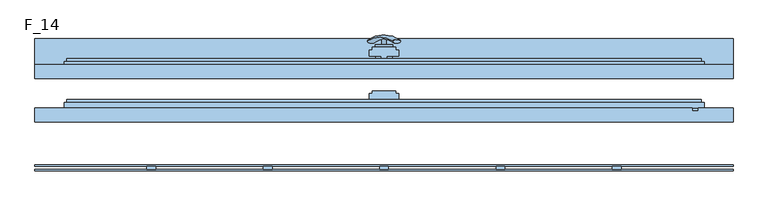
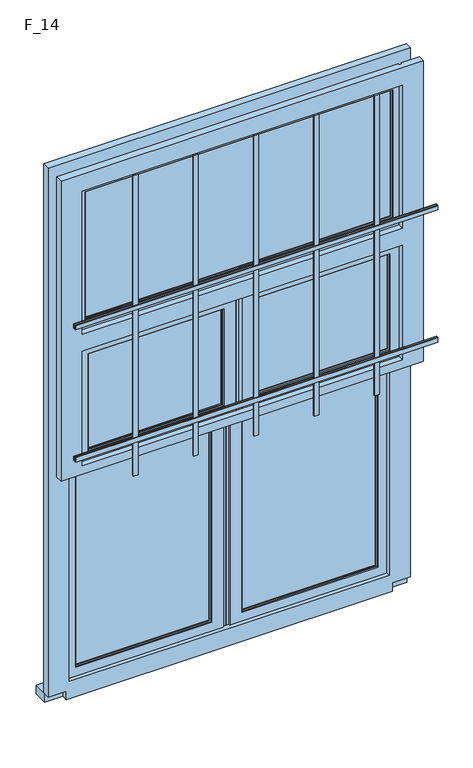
"""IFC4 building model written with IfcOpenShell, lengths in millimetres: window geometry, F_14."""

from ifc_helpers import new_model, si_unit, point, frame, frame_2d, origin, place, context, project, spatial, polyline, circle_curve, ellipse_curve, trimmed, segment, composite_curve, outline, extrude, faceted_brep, source, transform, mapped, element, save
from ifc_brep_helpers import plane_surface, revolved_surface, advanced_brep


def f_14_13ed7f9b(model_context):
    return source(origin(), model_context, "Body", "SolidModel", [
        extrude(outline(polyline([(600.0, -157.5), (-600.0, -157.5), (-600.0, -155.0), (600.0, -155.0), (600.0, -157.5)])), frame((0.0, 0.0, 2220.0), z_axis=(0.0, 0.0, 1.0), x_axis=(1.0, 0.0, 0.0)), (0.0, 0.0, 1.0), 15.0),
        extrude(outline(polyline([(600.0, -157.5), (-600.0, -157.5), (-600.0, -155.0), (600.0, -155.0), (600.0, -157.5)])), frame((0.0, 0.0, 1757.5), z_axis=(0.0, 0.0, 1.0), x_axis=(1.0, 0.0, 0.0)), (0.0, 0.0, 1.0), 15.0),
        extrude(outline(polyline([(600.0, -150.0), (-600.0, -150.0), (-600.0, -147.5), (600.0, -147.5), (600.0, -150.0)])), frame((0.0, 0.0, 2220.0), z_axis=(0.0, 0.0, 1.0), x_axis=(1.0, 0.0, 0.0)), (0.0, 0.0, 1.0), 15.0),
        extrude(outline(polyline([(600.0, -150.0), (-600.0, -150.0), (-600.0, -147.5), (600.0, -147.5), (600.0, -150.0)])), frame((0.0, 0.0, 1757.5), z_axis=(0.0, 0.0, 1.0), x_axis=(1.0, 0.0, 0.0)), (0.0, 0.0, 1.0), 15.0),
        extrude(outline(polyline([(-392.5, -150.0), (-392.5, -155.0), (-407.5, -155.0), (-407.5, -150.0), (-392.5, -150.0)])), frame((0.0, 0.0, 1640.0), z_axis=(0.0, 0.0, 1.0), x_axis=(1.0, 0.0, 0.0)), (0.0, 0.0, 1.0), 1050.0),
        extrude(outline(polyline([(-192.5, -150.0), (-192.5, -155.0), (-207.5, -155.0), (-207.5, -150.0), (-192.5, -150.0)])), frame((0.0, 0.0, 1640.0), z_axis=(0.0, 0.0, 1.0), x_axis=(1.0, 0.0, 0.0)), (0.0, 0.0, 1.0), 1050.0),
        extrude(outline(polyline([(7.5, -150.0), (7.5, -155.0), (-7.5, -155.0), (-7.5, -150.0), (7.5, -150.0)])), frame((0.0, 0.0, 1640.0), z_axis=(0.0, 0.0, 1.0), x_axis=(1.0, 0.0, 0.0)), (0.0, 0.0, 1.0), 1050.0),
        extrude(outline(polyline([(207.5, -150.0), (207.5, -155.0), (192.5, -155.0), (192.5, -150.0), (207.5, -150.0)])), frame((0.0, 0.0, 1640.0), z_axis=(0.0, 0.0, 1.0), x_axis=(1.0, 0.0, 0.0)), (0.0, 0.0, 1.0), 1050.0),
        extrude(outline(polyline([(407.5, -150.0), (407.5, -155.0), (392.5, -155.0), (392.5, -150.0), (407.5, -150.0)])), frame((0.0, 0.0, 1640.0), z_axis=(0.0, 0.0, 1.0), x_axis=(1.0, 0.0, 0.0)), (0.0, 0.0, 1.0), 1050.0),
        advanced_brep(
        [(-28.5497704, 65.2287724, 1428.0503471), (-14.693364, 65.2287724, 1420.0503471), (14.693364, 65.2287724, 1502.9496529), (28.5497704, 65.2287724, 1494.9496529)],
        [
            (0, 1, ellipse_curve(frame((-21.6215672, 65.2287724, 1424.0503471), z_axis=(-0.46984631039295827, -0.3420201433256777, -0.8137976813493676), x_axis=(0.8660254037844349, 0.0, -0.5000000000000066)), 8.0, 3.5)),
            (1, 0, ellipse_curve(frame((-21.6215672, 65.2287724, 1424.0503471), z_axis=(-0.46984631039295827, -0.3420201433256777, -0.8137976813493676), x_axis=(0.8660254037844349, 0.0, -0.5000000000000066)), 8.0, 3.5)),
            (2, 3, ellipse_curve(frame((21.6215672, 65.2287724, 1498.9496529), z_axis=(0.46984631039296154, -0.3420201433256599, 0.8137976813493732), x_axis=(0.8660254037844355, 0.0, -0.5000000000000056)), 8.0, 3.5)),
            (3, 2, ellipse_curve(frame((21.6215672, 65.2287724, 1498.9496529), z_axis=(0.46984631039296154, -0.3420201433256599, 0.8137976813493732), x_axis=(0.8660254037844355, 0.0, -0.5000000000000056)), 8.0, 3.5)),
            (2, 0, circle_curve(frame((-6.9282032, -53.580763, 1465.5), z_axis=(-0.8660254037844353, 0.0, 0.500000000000006), x_axis=(-0.1710100716628409, 0.9396926207859051, -0.29619813272603046)), 126.4344667)),
            (1, 3, circle_curve(frame((6.9282032, -53.580763, 1457.5), z_axis=(0.8660254037844353, 0.0, -0.500000000000006), x_axis=(-0.1710100716628409, 0.9396926207859051, -0.29619813272603046)), 126.4344667)),
        ],
        [
            plane_surface(frame((40.0926994, 62.5471681, 1389.5466142), z_axis=(-0.4698463103929582, -0.34202014332567776, -0.8137976813493677), x_axis=(-0.8660254037844352, 0.0, 0.500000000000006))),
            plane_surface(frame((82.3598097, 62.5471681, 1462.7553967), z_axis=(0.4698463103929615, -0.34202014332565983, 0.8137976813493734), x_axis=(-0.8660254037844352, 0.0, 0.500000000000006))),
            revolved_surface(trimmed(ellipse_curve(frame((-21.6215672, 65.2287724, 1424.0503471), z_axis=(0.46984631039295827, 0.3420201433256777, 0.8137976813493676), x_axis=(0.8660254037844349, 0.0, -0.5000000000000066)), 8.0, 3.5), [point((-28.5497704, 65.2287724, 1428.0503471))], [point((-14.693364, 65.2287724, 1420.0503471))], True, "CARTESIAN"), (61.2262546, -53.580763, 1426.1510055), (-0.8660254037844353, 0.0, 0.500000000000006)),
            revolved_surface(trimmed(ellipse_curve(frame((-21.6215672, 65.2287724, 1424.0503471), z_axis=(0.46984631039295827, 0.3420201433256777, 0.8137976813493676), x_axis=(0.8660254037844349, 0.0, -0.5000000000000066)), 8.0, 3.5), [point((-14.693364, 65.2287724, 1420.0503471))], [point((-28.5497704, 65.2287724, 1428.0503471))], True, "CARTESIAN"), (61.2262546, -53.580763, 1426.1510055), (-0.8660254037844353, 0.0, 0.500000000000006)),
        ],
        [
            (0, [[1, 2]]),
            (1, [[3, 4]]),
            (2, [[-3, 5, -2, 6]]),
            (3, [[-4, -6, -1, -5]]),
        ],
    ),
        extrude(outline(composite_curve([segment(trimmed(circle_curve(frame_2d((1461.5, 0.0)), 3.5), [point((1461.5, -3.5))], [point((1461.5, 3.5))], False, "CARTESIAN"), True, "CONTINUOUS"), segment(trimmed(circle_curve(frame_2d((1461.5, 0.0)), 3.5), [point((1461.5, 3.5))], [point((1461.5, -3.5))], False, "CARTESIAN"), True, "CONTINUOUS")], self_intersect=False)), frame((0.0, 60.0, 0.0), z_axis=(0.0, 1.0, 0.0), x_axis=(0.0, 0.0, 1.0)), (0.0, 0.0, 1.0), 10.0),
        extrude(outline(composite_curve([segment(polyline([(1525.8020109, -15.0), (1395.8020109, -15.0)]), True, "CONTINUOUS"), segment(trimmed(circle_curve(frame_2d((1395.8020109, 0.0)), 15.0), [point((1395.8020109, -15.0))], [point((1395.8020109, 15.0))], False, "CARTESIAN"), True, "CONTINUOUS"), segment(polyline([(1395.8020109, 15.0), (1525.8020109, 15.0)]), True, "CONTINUOUS"), segment(trimmed(circle_curve(frame_2d((1525.8020109, 0.0)), 15.0), [point((1525.8020109, 15.0))], [point((1525.8020109, -15.0))], False, "CARTESIAN"), True, "CONTINUOUS")], self_intersect=False)), frame((0.0, 55.0, 0.0), z_axis=(0.0, 1.0, 0.0), x_axis=(0.0, 0.0, 1.0)), (0.0, 0.0, 1.0), 5.0),
        extrude(outline(polyline([(600.0, 70.0), (600.0, 20.0), (-600.0, 20.0), (-600.0, 70.0), (600.0, 70.0)])), frame((0.0, 0.0, 810.0), z_axis=(0.0, 0.0, 1.0), x_axis=(1.0, 0.0, 0.0)), (0.0, 0.0, 1.0), 30.0),
        extrude(outline(polyline([(505.0, -43.0), (505.0, -47.0), (-505.0, -47.0), (-505.0, -43.0), (505.0, -43.0)])), frame((0.0, 0.0, 2165.0), z_axis=(0.0, 0.0, 1.0), x_axis=(1.0, 0.0, 0.0)), (0.0, 0.0, 1.0), 440.0),
        faceted_brep([(-510.0, -50.0, 2610.0), (510.0, -50.0, 2610.0), (510.0, -55.0, 2610.0), (-510.0, -55.0, 2610.0), (510.0, -50.0, 2160.0), (510.0, -55.0, 2160.0), (540.0, -55.0, 2130.0), (540.0, -55.0, 2640.0), (-540.0, -55.0, 2640.0), (-540.0, -55.0, 2130.0), (-510.0, -55.0, 2160.0), (-510.0, -50.0, 2160.0), (505.0, -50.0, 2605.0), (505.0, -50.0, 2165.0), (-505.0, -50.0, 2165.0), (-505.0, -50.0, 2605.0), (-505.0, -40.0, 2605.0), (505.0, -40.0, 2605.0), (505.0, -40.0, 2165.0), (510.0, -40.0, 2610.0), (510.0, -40.0, 2160.0), (-510.0, -40.0, 2160.0), (-510.0, -40.0, 2610.0), (-505.0, -40.0, 2165.0), (-510.0, -35.0, 2610.0), (510.0, -35.0, 2610.0), (510.0, -35.0, 2160.0), (545.0, -35.0, 2645.0), (545.0, -35.0, 2125.0), (-545.0, -35.0, 2125.0), (-545.0, -35.0, 2645.0), (-510.0, -35.0, 2160.0), (-550.0, -50.0, 2650.0), (550.0, -50.0, 2650.0), (550.0, -40.0, 2650.0), (-550.0, -40.0, 2650.0), (550.0, -50.0, 2120.0), (550.0, -40.0, 2120.0), (-550.0, -40.0, 2120.0), (545.0, -40.0, 2125.0), (545.0, -40.0, 2645.0), (-545.0, -40.0, 2645.0), (-545.0, -40.0, 2125.0), (-550.0, -50.0, 2120.0), (540.0, -50.0, 2640.0), (540.0, -50.0, 2130.0), (-540.0, -50.0, 2130.0), (-540.0, -50.0, 2640.0)], [[[0, 1, 2, 3]], [[1, 4, 5, 2]], [[6, 7, 8, 9], [2, 5, 10, 3]], [[4, 1, 0, 11], [12, 13, 14, 15]], [[16, 17, 12, 15]], [[17, 18, 13, 12]], [[19, 20, 21, 22], [18, 17, 16, 23]], [[24, 25, 19, 22]], [[25, 26, 20, 19]], [[27, 28, 29, 30], [26, 25, 24, 31]], [[32, 33, 34, 35]], [[33, 36, 37, 34]], [[34, 37, 38, 35], [39, 40, 41, 42]], [[36, 33, 32, 43], [44, 45, 46, 47]], [[8, 7, 44, 47]], [[7, 6, 45, 44]], [[11, 0, 3, 10]], [[23, 16, 15, 14]], [[31, 24, 22, 21]], [[43, 32, 35, 38]], [[9, 8, 47, 46]], [[41, 40, 27, 30]], [[42, 41, 30, 29]], [[40, 39, 28, 27]], [[4, 11, 10, 5]], [[18, 23, 14, 13]], [[26, 31, 21, 20]], [[36, 43, 38, 37]], [[6, 9, 46, 45]], [[39, 42, 29, 28]]]),
        extrude(outline(polyline([(505.0, 27.0), (505.0, 23.0), (-505.0, 23.0), (-505.0, 27.0), (505.0, 27.0)])), frame((0.0, 0.0, 2165.0), z_axis=(0.0, 0.0, 1.0), x_axis=(1.0, 0.0, 0.0)), (0.0, 0.0, 1.0), 440.0),
        faceted_brep([(-510.0, 20.0, 2610.0), (510.0, 20.0, 2610.0), (510.0, 15.0, 2610.0), (-510.0, 15.0, 2610.0), (510.0, 20.0, 2160.0), (510.0, 15.0, 2160.0), (540.0, 15.0, 2130.0), (540.0, 15.0, 2640.0), (-540.0, 15.0, 2640.0), (-540.0, 15.0, 2130.0), (-510.0, 15.0, 2160.0), (-510.0, 20.0, 2160.0), (505.0, 20.0, 2605.0), (505.0, 20.0, 2165.0), (-505.0, 20.0, 2165.0), (-505.0, 20.0, 2605.0), (-505.0, 30.0, 2605.0), (505.0, 30.0, 2605.0), (505.0, 30.0, 2165.0), (510.0, 30.0, 2610.0), (510.0, 30.0, 2160.0), (-510.0, 30.0, 2160.0), (-510.0, 30.0, 2610.0), (-505.0, 30.0, 2165.0), (-510.0, 35.0, 2610.0), (510.0, 35.0, 2610.0), (510.0, 35.0, 2160.0), (545.0, 35.0, 2645.0), (545.0, 35.0, 2125.0), (-545.0, 35.0, 2125.0), (-545.0, 35.0, 2645.0), (-510.0, 35.0, 2160.0), (-550.0, 20.0, 2650.0), (550.0, 20.0, 2650.0), (550.0, 30.0, 2650.0), (-550.0, 30.0, 2650.0), (550.0, 20.0, 2120.0), (550.0, 30.0, 2120.0), (-550.0, 30.0, 2120.0), (545.0, 30.0, 2125.0), (545.0, 30.0, 2645.0), (-545.0, 30.0, 2645.0), (-545.0, 30.0, 2125.0), (-550.0, 20.0, 2120.0), (540.0, 20.0, 2640.0), (540.0, 20.0, 2130.0), (-540.0, 20.0, 2130.0), (-540.0, 20.0, 2640.0)], [[[0, 1, 2, 3]], [[1, 4, 5, 2]], [[6, 7, 8, 9], [2, 5, 10, 3]], [[4, 1, 0, 11], [12, 13, 14, 15]], [[16, 17, 12, 15]], [[17, 18, 13, 12]], [[19, 20, 21, 22], [18, 17, 16, 23]], [[24, 25, 19, 22]], [[25, 26, 20, 19]], [[27, 28, 29, 30], [26, 25, 24, 31]], [[32, 33, 34, 35]], [[33, 36, 37, 34]], [[34, 37, 38, 35], [39, 40, 41, 42]], [[36, 33, 32, 43], [44, 45, 46, 47]], [[8, 7, 44, 47]], [[7, 6, 45, 44]], [[11, 0, 3, 10]], [[23, 16, 15, 14]], [[31, 24, 22, 21]], [[43, 32, 35, 38]], [[9, 8, 47, 46]], [[41, 40, 27, 30]], [[42, 41, 30, 29]], [[40, 39, 28, 27]], [[4, 11, 10, 5]], [[18, 23, 14, 13]], [[26, 31, 21, 20]], [[36, 43, 38, 37]], [[6, 9, 46, 45]], [[39, 42, 29, 28]]]),
        extrude(outline(polyline([(0.5, -55.0), (0.5, -50.0), (10.0, -50.0), (10.0, -55.0), (0.5, -55.0)])), frame((0.0, 0.0, 1650.0), z_axis=(0.0, 0.0, 1.0), x_axis=(1.0, 0.0, 0.0)), (0.0, 0.0, 1.0), 440.0),
        extrude(outline(polyline([(-0.5, -55.0), (-10.0, -55.0), (-10.0, -50.0), (-0.5, -50.0), (-0.5, -55.0)])), frame((0.0, 0.0, 1650.0), z_axis=(0.0, 0.0, 1.0), x_axis=(1.0, 0.0, 0.0)), (0.0, 0.0, 1.0), 440.0),
        extrude(outline(polyline([(-55.0, -43.0), (-55.0, -47.0), (-495.0, -47.0), (-495.0, -43.0), (-55.0, -43.0)])), frame((0.0, 0.0, 1705.0), z_axis=(0.0, 0.0, 1.0), x_axis=(1.0, 0.0, 0.0)), (0.0, 0.0, 1.0), 330.0),
        extrude(outline(polyline([(495.0, -43.0), (495.0, -47.0), (55.0, -47.0), (55.0, -43.0), (495.0, -43.0)])), frame((0.0, 0.0, 1705.0), z_axis=(0.0, 0.0, 1.0), x_axis=(1.0, 0.0, 0.0)), (0.0, 0.0, 1.0), 330.0),
        extrude(outline(polyline([(5.0, -40.0), (-5.0, -40.0), (-5.0, -35.0), (-25.0, -35.0), (-25.0, -25.0), (-20.0, -25.0), (-20.0, -20.0), (20.0, -20.0), (20.0, -25.0), (25.0, -25.0), (25.0, -35.0), (5.0, -35.0), (5.0, -40.0)])), frame((0.0, 0.0, 1650.0), z_axis=(0.0, 0.0, 1.0), x_axis=(1.0, 0.0, 0.0)), (0.0, 0.0, 1.0), 440.0),
        faceted_brep([(50.0, -55.0, 2040.0), (50.0, -55.0, 1700.0), (50.0, -50.0, 1700.0), (50.0, -50.0, 2040.0), (500.0, -50.0, 1700.0), (500.0, -50.0, 2040.0), (55.0, -50.0, 1705.0), (55.0, -50.0, 2035.0), (495.0, -50.0, 2035.0), (495.0, -50.0, 1705.0), (500.0, -55.0, 1700.0), (10.0, -55.0, 2080.0), (10.0, -55.0, 1660.0), (540.0, -55.0, 1660.0), (540.0, -55.0, 2080.0), (500.0, -55.0, 2040.0), (55.0, -40.0, 1705.0), (55.0, -40.0, 2035.0), (50.0, -40.0, 1700.0), (50.0, -40.0, 2040.0), (500.0, -40.0, 2040.0), (500.0, -40.0, 1700.0), (495.0, -40.0, 1705.0), (495.0, -40.0, 2035.0), (50.0, -35.0, 1700.0), (50.0, -35.0, 2040.0), (5.0, -35.0, 1655.0), (5.0, -35.0, 2085.0), (545.0, -35.0, 2085.0), (545.0, -35.0, 1655.0), (500.0, -35.0, 1700.0), (500.0, -35.0, 2040.0), (5.0, -40.0, 1655.0), (5.0, -40.0, 2085.0), (0.0, -40.0, 1650.0), (0.0, -40.0, 2090.0), (550.0, -40.0, 2090.0), (550.0, -40.0, 1650.0), (545.0, -40.0, 1655.0), (545.0, -40.0, 2085.0), (0.0, -50.0, 1650.0), (0.0, -50.0, 2090.0), (550.0, -50.0, 1650.0), (550.0, -50.0, 2090.0), (10.0, -50.0, 1660.0), (10.0, -50.0, 2080.0), (540.0, -50.0, 2080.0), (540.0, -50.0, 1660.0)], [[[0, 1, 2, 3]], [[3, 2, 4, 5], [6, 7, 8, 9]], [[1, 10, 4, 2]], [[11, 12, 13, 14], [1, 0, 15, 10]], [[7, 6, 16, 17]], [[18, 19, 20, 21], [17, 16, 22, 23]], [[6, 9, 22, 16]], [[19, 18, 24, 25]], [[26, 27, 28, 29], [25, 24, 30, 31]], [[18, 21, 30, 24]], [[27, 26, 32, 33]], [[34, 35, 36, 37], [33, 32, 38, 39]], [[26, 29, 38, 32]], [[35, 34, 40, 41]], [[41, 40, 42, 43], [44, 45, 46, 47]], [[34, 37, 42, 40]], [[45, 44, 12, 11]], [[44, 47, 13, 12]], [[10, 15, 5, 4]], [[9, 8, 23, 22]], [[21, 20, 31, 30]], [[29, 28, 39, 38]], [[37, 36, 43, 42]], [[47, 46, 14, 13]], [[15, 0, 3, 5]], [[8, 7, 17, 23]], [[20, 19, 25, 31]], [[28, 27, 33, 39]], [[36, 35, 41, 43]], [[46, 45, 11, 14]]]),
        faceted_brep([(-50.0, -50.0, 2040.0), (-50.0, -50.0, 1700.0), (-50.0, -55.0, 1700.0), (-50.0, -55.0, 2040.0), (-10.0, -55.0, 1660.0), (-10.0, -55.0, 2080.0), (-540.0, -55.0, 2080.0), (-540.0, -55.0, 1660.0), (-500.0, -55.0, 1700.0), (-500.0, -55.0, 2040.0), (-500.0, -50.0, 1700.0), (-500.0, -50.0, 2040.0), (-55.0, -50.0, 2035.0), (-55.0, -50.0, 1705.0), (-495.0, -50.0, 1705.0), (-495.0, -50.0, 2035.0), (-55.0, -40.0, 2035.0), (-55.0, -40.0, 1705.0), (-495.0, -40.0, 1705.0), (-50.0, -40.0, 2040.0), (-50.0, -40.0, 1700.0), (-500.0, -40.0, 1700.0), (-500.0, -40.0, 2040.0), (-495.0, -40.0, 2035.0), (-50.0, -35.0, 2040.0), (-50.0, -35.0, 1700.0), (-500.0, -35.0, 1700.0), (-5.0, -35.0, 2085.0), (-5.0, -35.0, 1655.0), (-545.0, -35.0, 1655.0), (-545.0, -35.0, 2085.0), (-500.0, -35.0, 2040.0), (-5.0, -40.0, 2085.0), (-5.0, -40.0, 1655.0), (-545.0, -40.0, 1655.0), (0.0, -40.0, 2090.0), (0.0, -40.0, 1650.0), (-550.0, -40.0, 1650.0), (-550.0, -40.0, 2090.0), (-545.0, -40.0, 2085.0), (0.0, -50.0, 2090.0), (0.0, -50.0, 1650.0), (-550.0, -50.0, 1650.0), (-550.0, -50.0, 2090.0), (-10.0, -50.0, 2080.0), (-10.0, -50.0, 1660.0), (-540.0, -50.0, 1660.0), (-540.0, -50.0, 2080.0)], [[[0, 1, 2, 3]], [[4, 5, 6, 7], [3, 2, 8, 9]], [[1, 10, 8, 2]], [[1, 0, 11, 10], [12, 13, 14, 15]], [[16, 17, 13, 12]], [[17, 18, 14, 13]], [[19, 20, 21, 22], [17, 16, 23, 18]], [[24, 25, 20, 19]], [[25, 26, 21, 20]], [[27, 28, 29, 30], [25, 24, 31, 26]], [[32, 33, 28, 27]], [[33, 34, 29, 28]], [[35, 36, 37, 38], [33, 32, 39, 34]], [[40, 41, 36, 35]], [[41, 42, 37, 36]], [[41, 40, 43, 42], [44, 45, 46, 47]], [[5, 4, 45, 44]], [[4, 7, 46, 45]], [[10, 11, 9, 8]], [[18, 23, 15, 14]], [[26, 31, 22, 21]], [[34, 39, 30, 29]], [[42, 43, 38, 37]], [[7, 6, 47, 46]], [[11, 0, 3, 9]], [[23, 16, 12, 15]], [[31, 24, 19, 22]], [[39, 32, 27, 30]], [[43, 40, 35, 38]], [[6, 5, 44, 47]]]),
        faceted_brep([(-50.0, 20.0, 2040.0), (-50.0, 20.0, 900.0), (-50.0, 15.0, 900.0), (-50.0, 15.0, 2040.0), (-10.0, 15.0, 2080.0), (-540.0, 15.0, 2080.0), (-540.0, 15.0, 860.0), (-10.0, 15.0, 860.0), (-500.0, 15.0, 900.0), (-500.0, 15.0, 2040.0), (-500.0, 20.0, 900.0), (-500.0, 20.0, 2040.0), (-55.0, 20.0, 905.0), (-495.0, 20.0, 905.0), (-495.0, 20.0, 2035.0), (-55.0, 20.0, 2035.0), (-55.0, 30.0, 2035.0), (-55.0, 30.0, 905.0), (-495.0, 30.0, 905.0), (-50.0, 30.0, 900.0), (-500.0, 30.0, 900.0), (-500.0, 30.0, 2040.0), (-50.0, 30.0, 2040.0), (-495.0, 30.0, 2035.0), (-50.0, 35.0, 2040.0), (-50.0, 35.0, 900.0), (-500.0, 35.0, 900.0), (-545.0, 35.0, 2085.0), (-5.0, 35.0, 2085.0), (-5.0, 35.0, 2080.0), (-14.5, 35.0, 2080.0), (-14.5, 35.0, 855.0), (-545.0, 35.0, 855.0), (-500.0, 35.0, 2040.0), (-5.0, 30.0, 2085.0), (-5.0, 30.0, 855.0), (-5.0, 35.0, 855.0), (-5.0, 35.0, 850.0), (-5.0, 40.0, 850.0), (-5.0, 40.0, 2080.0), (0.0, 20.0, 850.0), (-550.0, 20.0, 850.0), (-550.0, 30.0, 850.0), (0.0, 30.0, 850.0), (-550.0, 30.0, 2090.0), (0.0, 30.0, 2090.0), (-545.0, 30.0, 2085.0), (-545.0, 30.0, 855.0), (0.0, 20.0, 2090.0), (-550.0, 20.0, 2090.0), (-10.0, 20.0, 860.0), (-540.0, 20.0, 860.0), (-540.0, 20.0, 2080.0), (-10.0, 20.0, 2080.0), (-14.5, 40.0, 2080.0), (-14.5, 40.0, 850.0), (-14.5, 35.0, 850.0)], [[[0, 1, 2, 3]], [[4, 5, 6, 7], [2, 8, 9, 3]], [[1, 10, 8, 2]], [[0, 11, 10, 1], [12, 13, 14, 15]], [[16, 17, 12, 15]], [[17, 18, 13, 12]], [[19, 20, 21, 22], [16, 23, 18, 17]], [[24, 25, 19, 22]], [[25, 26, 20, 19]], [[27, 28, 29, 30, 31, 32], [24, 33, 26, 25]], [[34, 35, 36, 37, 38, 39, 29, 28]], [[40, 41, 42, 43]], [[43, 42, 44, 45], [34, 46, 47, 35]], [[48, 40, 43, 45]], [[48, 49, 41, 40], [50, 51, 52, 53]], [[4, 7, 50, 53]], [[7, 6, 51, 50]], [[10, 11, 9, 8]], [[18, 23, 14, 13]], [[26, 33, 21, 20]], [[35, 47, 32, 31, 36]], [[47, 46, 27, 32]], [[54, 55, 56, 31, 30]], [[41, 49, 44, 42]], [[6, 5, 52, 51]], [[3, 9, 11, 0]], [[15, 14, 23, 16]], [[22, 21, 33, 24]], [[28, 27, 46, 34]], [[45, 44, 49, 48]], [[53, 52, 5, 4]], [[39, 38, 55, 54]], [[37, 56, 55, 38]], [[37, 36, 31, 56]], [[30, 29, 39, 54]]]),
        extrude(outline(polyline([(-55.0, 27.0), (-55.0, 23.0), (-495.0, 23.0), (-495.0, 27.0), (-55.0, 27.0)])), frame((0.0, 0.0, 905.0), z_axis=(0.0, 0.0, 1.0), x_axis=(1.0, 0.0, 0.0)), (0.0, 0.0, 1.0), 1130.0),
        extrude(outline(polyline([(495.0, 27.0), (495.0, 23.0), (55.0, 23.0), (55.0, 27.0), (495.0, 27.0)])), frame((0.0, 0.0, 905.0), z_axis=(0.0, 0.0, 1.0), x_axis=(1.0, 0.0, 0.0)), (0.0, 0.0, 1.0), 1130.0),
        faceted_brep([(25.0, 40.0, 850.0), (14.5, 40.0, 850.0), (14.5, 35.0, 850.0), (-5.0, 35.0, 850.0), (-5.0, 40.0, 850.0), (-25.0, 40.0, 850.0), (-25.0, 50.0, 850.0), (-20.0, 50.0, 850.0), (-20.0, 55.0, 850.0), (20.0, 55.0, 850.0), (20.0, 50.0, 850.0), (25.0, 50.0, 850.0), (25.0, 40.0, 2090.0), (25.0, 50.0, 2090.0), (20.0, 50.0, 2090.0), (20.0, 55.0, 2090.0), (-20.0, 55.0, 2090.0), (-20.0, 50.0, 2090.0), (-25.0, 50.0, 2090.0), (-25.0, 40.0, 2090.0), (-5.0, 40.0, 2090.0), (-5.0, 35.0, 2090.0), (14.5, 35.0, 855.0), (5.0, 35.0, 855.0), (5.0, 35.0, 2085.0), (5.0, 35.0, 2090.0), (0.0, 30.0, 2090.0), (0.0, 30.0, 850.0), (0.0, 20.0, 850.0), (0.0, 20.0, 2090.0), (550.0, 20.0, 850.0), (550.0, 20.0, 2090.0), (10.0, 20.0, 2080.0), (540.0, 20.0, 2080.0), (540.0, 20.0, 860.0), (10.0, 20.0, 860.0), (550.0, 30.0, 850.0), (550.0, 30.0, 2090.0), (5.0, 30.0, 855.0), (545.0, 30.0, 855.0), (545.0, 30.0, 2085.0), (5.0, 30.0, 2085.0), (14.5, 35.0, 2080.0), (14.5, 40.0, 2080.0), (5.0, 40.0, 2090.0), (5.0, 40.0, 2080.0), (545.0, 35.0, 855.0), (5.0, 35.0, 2080.0), (545.0, 35.0, 2085.0), (50.0, 35.0, 900.0), (500.0, 35.0, 900.0), (500.0, 35.0, 2040.0), (50.0, 35.0, 2040.0), (50.0, 15.0, 2040.0), (50.0, 15.0, 900.0), (50.0, 20.0, 900.0), (50.0, 20.0, 2040.0), (500.0, 20.0, 900.0), (500.0, 20.0, 2040.0), (55.0, 20.0, 2035.0), (495.0, 20.0, 2035.0), (495.0, 20.0, 905.0), (55.0, 20.0, 905.0), (500.0, 15.0, 900.0), (10.0, 15.0, 860.0), (540.0, 15.0, 860.0), (540.0, 15.0, 2080.0), (10.0, 15.0, 2080.0), (500.0, 15.0, 2040.0), (55.0, 30.0, 905.0), (55.0, 30.0, 2035.0), (50.0, 30.0, 2040.0), (500.0, 30.0, 2040.0), (500.0, 30.0, 900.0), (50.0, 30.0, 900.0), (495.0, 30.0, 905.0), (495.0, 30.0, 2035.0)], [[[0, 1, 2, 3, 4, 5, 6, 7, 8, 9, 10, 11]], [[12, 0, 11, 13]], [[13, 11, 10, 14]], [[14, 10, 9, 15]], [[15, 9, 8, 16]], [[16, 8, 7, 17]], [[17, 7, 6, 18]], [[18, 6, 5, 19]], [[19, 5, 4, 20]], [[20, 4, 3, 21]], [[21, 3, 2, 22, 23, 24, 25]], [[26, 27, 28, 29]], [[28, 30, 31, 29], [32, 33, 34, 35]], [[36, 37, 31, 30]], [[26, 37, 36, 27], [38, 39, 40, 41]], [[42, 22, 2, 1, 43]], [[44, 45, 43, 1, 0, 12]], [[46, 22, 42, 47, 24, 48], [49, 50, 51, 52]], [[23, 22, 46, 39, 38]], [[53, 54, 55, 56]], [[55, 57, 58, 56], [59, 60, 61, 62]], [[54, 63, 57, 55]], [[64, 65, 66, 67], [53, 68, 63, 54]], [[59, 62, 69, 70]], [[71, 72, 73, 74], [69, 75, 76, 70]], [[62, 61, 75, 69]], [[71, 74, 49, 52]], [[74, 73, 50, 49]], [[32, 35, 64, 67]], [[35, 34, 65, 64]], [[63, 68, 58, 57]], [[61, 60, 76, 75]], [[73, 72, 51, 50]], [[46, 48, 40, 39]], [[34, 33, 66, 65]], [[25, 44, 12, 13, 14, 15, 16, 17, 18, 19, 20, 21]], [[25, 24, 47, 45, 44]], [[56, 58, 68, 53]], [[70, 76, 60, 59]], [[52, 51, 72, 71]], [[41, 40, 48, 24]], [[67, 66, 33, 32]], [[23, 38, 41, 24]], [[27, 36, 30, 28]], [[29, 31, 37, 26]], [[43, 45, 47, 42]]]),
        faceted_brep([(-600.0, 25.0, 2690.0), (-600.0, 25.0, 840.0), (-600.0, 1.0, 840.0), (-600.0, 1.0, 2690.0), (-540.0, 1.0, 840.0), (-540.0, 1.0, 810.0), (540.0, 1.0, 810.0), (540.0, 1.0, 840.0), (600.0, 1.0, 840.0), (600.0, 1.0, 2690.0), (-530.0, 1.0, 2630.0), (530.0, 1.0, 2630.0), (530.0, 1.0, 2130.0), (-530.0, 1.0, 2130.0), (-530.0, 1.0, 2070.0), (530.0, 1.0, 2070.0), (530.0, 1.0, 870.0), (-530.0, 1.0, 870.0), (-540.0, 25.0, 840.0), (-540.0, 20.0, 840.0), (600.0, 25.0, 2690.0), (600.0, 25.0, 840.0), (540.0, 25.0, 840.0), (540.0, 25.0, 810.0), (-540.0, 25.0, 810.0), (-540.0, 25.0, 2640.0), (-540.0, 25.0, 2120.0), (540.0, 25.0, 2120.0), (540.0, 25.0, 2640.0), (540.0, 25.0, 2080.0), (-540.0, 25.0, 2080.0), (-540.0, 25.0, 860.0), (540.0, 25.0, 860.0), (540.0, 20.0, 840.0), (-530.0, 20.0, 870.0), (-530.0, 20.0, 2070.0), (-530.0, 20.0, 2130.0), (-530.0, 20.0, 2630.0), (530.0, 20.0, 870.0), (530.0, 20.0, 2070.0), (530.0, 20.0, 2630.0), (530.0, 20.0, 2130.0), (540.0, 20.0, 2080.0), (540.0, 20.0, 860.0), (-540.0, 20.0, 860.0), (-540.0, 20.0, 2080.0), (-540.0, 20.0, 2640.0), (540.0, 20.0, 2640.0), (540.0, 20.0, 2120.0), (-540.0, 20.0, 2120.0)], [[[0, 1, 2, 3]], [[2, 4, 5, 6, 7, 8, 9, 3], [10, 11, 12, 13], [14, 15, 16, 17]], [[18, 19, 4, 2, 1]], [[1, 0, 20, 21, 22, 23, 24, 18], [25, 26, 27, 28], [29, 30, 31, 32]], [[9, 8, 21, 20]], [[8, 7, 33, 22, 21]], [[23, 22, 33, 7, 6]], [[24, 23, 6, 5]], [[5, 4, 19, 18, 24]], [[14, 17, 34, 35]], [[10, 13, 36, 37]], [[34, 17, 16, 38]], [[39, 38, 16, 15]], [[11, 40, 41, 12]], [[42, 43, 44, 45], [35, 34, 38, 39]], [[46, 47, 48, 49], [36, 41, 40, 37]], [[44, 31, 30, 45]], [[46, 49, 26, 25]], [[31, 44, 43, 32]], [[29, 32, 43, 42]], [[27, 48, 47, 28]], [[3, 9, 20, 0]], [[37, 40, 11, 10]], [[28, 47, 46, 25]], [[35, 39, 15, 14]], [[29, 42, 45, 30]], [[26, 49, 48, 27]], [[13, 12, 41, 36]]]),
        faceted_brep([(-600.0, -74.0, 1640.0), (-600.0, -74.0, 2690.0), (-600.0, -50.0, 2690.0), (-600.0, -50.0, 1640.0), (600.0, -50.0, 1640.0), (600.0, -74.0, 1640.0), (530.0, -50.0, 2690.0), (530.0, -50.0, 2640.0), (-540.0, -50.0, 2640.0), (-540.0, -50.0, 2120.0), (540.0, -50.0, 2120.0), (540.0, -50.0, 2690.0), (600.0, -50.0, 2690.0), (-540.0, -50.0, 1660.0), (540.0, -50.0, 1660.0), (540.0, -50.0, 2080.0), (-540.0, -50.0, 2080.0), (600.0, -74.0, 2690.0), (530.0, -74.0, 2070.0), (530.0, -74.0, 1670.0), (-530.0, -74.0, 1670.0), (-530.0, -74.0, 2070.0), (530.0, -74.0, 2630.0), (530.0, -74.0, 2130.0), (-530.0, -74.0, 2130.0), (-530.0, -74.0, 2630.0), (-530.0, -55.0, 1670.0), (-530.0, -55.0, 2070.0), (-530.0, -55.0, 2130.0), (-530.0, -55.0, 2630.0), (530.0, -55.0, 1670.0), (530.0, -55.0, 2070.0), (530.0, -55.0, 2630.0), (530.0, -55.0, 2130.0), (540.0, -55.0, 1660.0), (-540.0, -55.0, 1660.0), (-540.0, -55.0, 2080.0), (540.0, -55.0, 2080.0), (540.0, -55.0, 2690.0), (540.0, -55.0, 2120.0), (-540.0, -55.0, 2120.0), (-540.0, -55.0, 2640.0), (530.0, -55.0, 2640.0), (530.0, -55.0, 2690.0)], [[[0, 1, 2, 3]], [[0, 3, 4, 5]], [[2, 6, 7, 8, 9, 10, 11, 12, 4, 3], [13, 14, 15, 16]], [[0, 5, 17, 1], [18, 19, 20, 21], [22, 23, 24, 25]], [[20, 26, 27, 21]], [[24, 28, 29, 25]], [[30, 26, 20, 19]], [[31, 30, 19, 18]], [[22, 32, 33, 23]], [[17, 5, 4, 12]], [[34, 35, 36, 37], [31, 27, 26, 30]], [[38, 39, 40, 41, 42, 43], [33, 32, 29, 28]], [[15, 14, 34, 37]], [[11, 10, 39, 38]], [[35, 13, 16, 36]], [[8, 41, 40, 9]], [[14, 13, 35, 34]], [[17, 12, 11, 38, 43, 6, 2, 1]], [[6, 43, 42, 7]], [[41, 8, 7, 42]], [[22, 25, 29, 32]], [[18, 21, 27, 31]], [[36, 16, 15, 37]], [[10, 9, 40, 39]], [[33, 28, 24, 23]]]),
    ])


if __name__ == "__main__":
    model = new_model("IFC4")
    model_context = context("Model", 3, world=origin())
    ifc_project = project(units=[si_unit("LENGTHUNIT", "METRE", prefix="MILLI")], contexts=[model_context])
    site = spatial("IfcSite", under=ifc_project)
    building = spatial("IfcBuilding", under=site)
    placement = place(None, origin())
    f_14_shape = f_14_13ed7f9b(model_context)
    element("IfcWindow", 1, ObjectType="F_14", at=placement, inside=building, context=model_context, shape_type="MappedRepresentation", body=[
        mapped(f_14_shape, transform((0.0, 0.0, 0.0), x_axis=(1.0, 0.0, 0.0), y_axis=(0.0, 1.0, 0.0), z_axis=(0.0, 0.0, 1.0))),
    ])
    save(model, "model.ifc")
